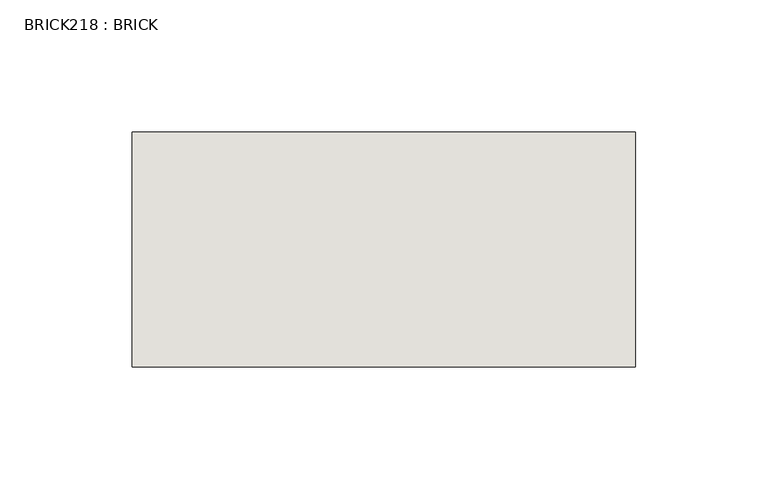
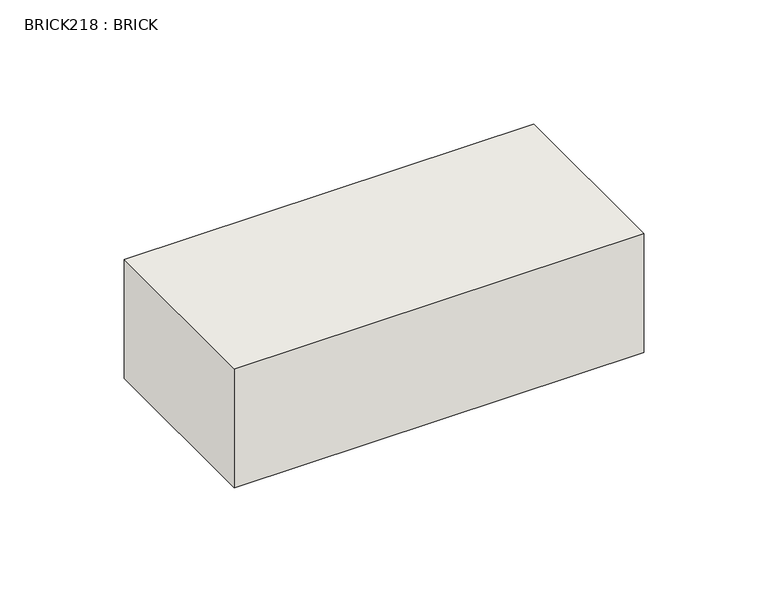
"""IFC4 building model written with IfcOpenShell, lengths in millimetres: wall geometry, BRICK218 : BRICK."""

from ifc_helpers import new_model, si_unit, frame, origin, place, context, project, spatial, polyline, outline, extrude, source, transform, mapped, element, save


def brick218_brick_d00ad415(model_context):
    return source(origin(), model_context, "Body", "SweptSolid", [
        extrude(outline(polyline([(-1378.3316239, 3062.3923312), (-1187.8316239, 3062.3923312), (-1187.8316239, 2973.4923312), (-1378.3316239, 2973.4923312), (-1378.3316239, 3062.3923312)])), frame((0.0, 0.0, 74.3148438), z_axis=(0.0, 0.0, 1.0), x_axis=(1.0, 0.0, 0.0)), (0.0, 0.0, 1.0), 58.4398437),
    ])


if __name__ == "__main__":
    model = new_model("IFC4")
    model_context = context("Model", 3, world=origin())
    ifc_project = project(units=[si_unit("LENGTHUNIT", "METRE", prefix="MILLI")], contexts=[model_context])
    site = spatial("IfcSite", under=ifc_project)
    building = spatial("IfcBuilding", under=site)
    placement = place(None, origin())
    brick218_brick_shape = brick218_brick_d00ad415(model_context)
    element("IfcWall", 1, ObjectType="BRICK218 : BRICK", at=placement, inside=building, context=model_context, shape_type="MappedRepresentation", body=[
        mapped(brick218_brick_shape, transform((0.0, 0.0, 0.0), x_axis=(1.0, 0.0, 0.0), y_axis=(0.0, 1.0, 0.0), z_axis=(0.0, 0.0, 1.0))),
    ])
    save(model, "model.ifc")
